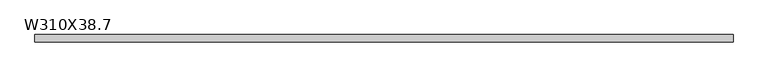
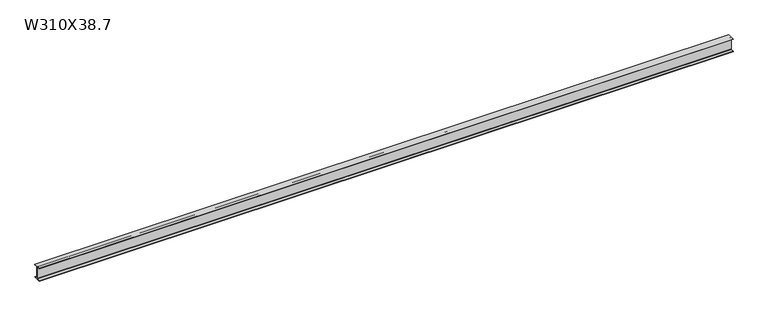
"""IFC4 building model written with IfcOpenShell, lengths in millimetres: beam geometry, W310X38.7."""

import ifcopenshell
import ifcopenshell.guid

model = None  # the IFC model being written
_history = None  # IfcOwnerHistory: only IFC2X3 demands one
_inside = {}  # id of a spatial element -> (the spatial element, [elements in it])
_under = {}  # id of a project, library or spatial element -> (it, [spatial elements below it])
_declared = {}  # id of a project -> (the project, [libraries it declares])
_typed = {}  # id of a type object -> (the type object, [elements of that type])
_made_of = {}  # id of a material, layer set ... -> (it, [elements and type objects made of it])


def new_model(schema):
    """Start an empty IFC model of exactly this schema.

    Asked for "IFC4X3", IfcOpenShell would pick the latest addendum, in which some entities
    have other attributes; the version numbers below select the first issue.
    IFC2X3 requires an IfcOwnerHistory on every rooted entity: one is made here for all.
    """
    global model, _history
    if schema == "IFC4X3":
        model = ifcopenshell.file(schema_version=(4, 3, 0, 0))
    else:
        model = ifcopenshell.file(schema=schema)
    _inside.clear()
    _under.clear()
    _declared.clear()
    _typed.clear()
    _made_of.clear()
    _history = None
    if model.schema == "IFC2X3":
        org = make("IfcOrganization", Name="unknown")
        user = make(
            "IfcPersonAndOrganization",
            ThePerson=make("IfcPerson", FamilyName="unknown"),
            TheOrganization=org,
        )
        app = make(
            "IfcApplication",
            ApplicationDeveloper=org,
            Version="unknown",
            ApplicationFullName="unknown",
            ApplicationIdentifier="unknown",
        )
        _history = make(
            "IfcOwnerHistory",
            OwningUser=user,
            OwningApplication=app,
            ChangeAction="ADDED",
            CreationDate=0,
        )
    return model


def make(cls, **values):
    """One entity of the class cls with the attributes given. An attribute that is None is left unset."""
    return model.create_entity(
        cls, **{name: value for name, value in values.items() if value is not None}
    )


def rooted(cls, **values):
    """An entity with a GlobalId (a new one), such as an element, a storey or a relation."""
    return make(cls, GlobalId=ifcopenshell.guid.new(), OwnerHistory=_history, **values)


def si_unit(unit_type, name, prefix=None):
    """IfcSIUnit, for example si_unit("LENGTHUNIT", "METRE", prefix="MILLI")."""
    return make("IfcSIUnit", UnitType=unit_type, Prefix=prefix, Name=name)


def assignment(units):
    """IfcUnitAssignment: the units of a project."""
    return None if units is None else make("IfcUnitAssignment", Units=units)


def point(xyz):
    """IfcCartesianPoint."""
    return None if xyz is None else make("IfcCartesianPoint", Coordinates=xyz)


def direction(xyz):
    """IfcDirection."""
    return None if xyz is None else make("IfcDirection", DirectionRatios=xyz)


def frame(location, z_axis=None, x_axis=None):
    """IfcAxis2Placement3D, a coordinate frame: its origin and axes. An axis left out is left unset."""
    return make(
        "IfcAxis2Placement3D",
        Location=point(location),
        Axis=direction(z_axis),
        RefDirection=direction(x_axis),
    )


def frame_2d(location, x_axis=None):
    """IfcAxis2Placement2D, a coordinate frame in the plane: its origin and x axis."""
    return make(
        "IfcAxis2Placement2D", Location=point(location), RefDirection=direction(x_axis)
    )


def origin():
    """The frame at (0, 0, 0) with its axes left unset."""
    return frame((0.0, 0.0, 0.0))


def place(relative_to, where):
    """IfcLocalPlacement: puts the frame where relative to a parent placement (None: the world)."""
    return make(
        "IfcLocalPlacement", PlacementRelTo=relative_to, RelativePlacement=where
    )


def context(
    kind, dimensions, precision=None, world=None, true_north=None, identifier=None
):
    """IfcGeometricRepresentationContext, for example the 3D "Model" context."""
    return make(
        "IfcGeometricRepresentationContext",
        ContextIdentifier=identifier,
        ContextType=kind,
        CoordinateSpaceDimension=dimensions,
        Precision=precision,
        WorldCoordinateSystem=world,
        TrueNorth=true_north,
    )


def project(units=None, contexts=None):
    """IfcProject with its units and contexts."""
    return rooted(
        "IfcProject",
        Name="project",
        RepresentationContexts=contexts,
        UnitsInContext=assignment(units),
    )


def spatial(cls, under=None, at=None, **own):
    """A site, building, storey or space (cls), placed at a placement, below another one or the project."""
    s = rooted(cls, ObjectPlacement=at, **own)
    if under is not None:
        _under.setdefault(under.id(), (under, []))[1].append(s)
    return s


def polyline(points):
    """IfcPolyline through the points."""
    return make("IfcPolyline", Points=[point(p) for p in points])


def circle_curve(where, radius):
    """IfcCircle in the frame where."""
    return make("IfcCircle", Position=where, Radius=radius)


def trimmed(basis, trim1, trim2, sense, master):
    """IfcTrimmedCurve: the piece of a basis curve between two trims."""
    return make(
        "IfcTrimmedCurve",
        BasisCurve=basis,
        Trim1=trim1,
        Trim2=trim2,
        SenseAgreement=sense,
        MasterRepresentation=master,
    )


def segment(curve, same_sense, transition):
    """IfcCompositeCurveSegment."""
    return make(
        "IfcCompositeCurveSegment",
        Transition=transition,
        SameSense=same_sense,
        ParentCurve=curve,
    )


def composite_curve(segments, self_intersect=None):
    """IfcCompositeCurve: segments joined end to end."""
    return make("IfcCompositeCurve", Segments=segments, SelfIntersect=self_intersect)


def outline(outer, holes=None, kind="AREA"):
    """IfcArbitraryClosedProfileDef: a profile drawn as a closed curve; with holes, ...WithVoids."""
    if holes is None:
        return make("IfcArbitraryClosedProfileDef", ProfileType=kind, OuterCurve=outer)
    return make(
        "IfcArbitraryProfileDefWithVoids",
        ProfileType=kind,
        OuterCurve=outer,
        InnerCurves=holes,
    )


def extrude(swept, where, along, depth):
    """IfcExtrudedAreaSolid: the profile swept, set in the frame where, extruded along a direction by depth."""
    return make(
        "IfcExtrudedAreaSolid",
        SweptArea=swept,
        Position=where,
        ExtrudedDirection=direction(along),
        Depth=depth,
    )


def shape(context_of_items, identifier, shape_type, items):
    """IfcShapeRepresentation: the items that make up one representation, for example the "Body"."""
    return make(
        "IfcShapeRepresentation",
        ContextOfItems=context_of_items,
        RepresentationIdentifier=identifier,
        RepresentationType=shape_type,
        Items=items,
    )


def source(mapping_origin, context_of_items, identifier, shape_type, items):
    """IfcRepresentationMap: a shape defined once, which mapped items show again and again."""
    return make(
        "IfcRepresentationMap",
        MappingOrigin=mapping_origin,
        MappedRepresentation=shape(context_of_items, identifier, shape_type, items),
    )


def transform(
    local_origin,
    x_axis=None,
    y_axis=None,
    z_axis=None,
    scale=None,
    scale2=None,
    scale3=None,
    uniform=True,
):
    """IfcCartesianTransformationOperator3D, or its non-uniform kind. x_axis, y_axis, z_axis: its Axis1, 2, 3."""
    if uniform:
        return make(
            "IfcCartesianTransformationOperator3D",
            Axis1=direction(x_axis),
            Axis2=direction(y_axis),
            LocalOrigin=point(local_origin),
            Scale=scale,
            Axis3=direction(z_axis),
        )
    return make(
        "IfcCartesianTransformationOperator3DnonUniform",
        Axis1=direction(x_axis),
        Axis2=direction(y_axis),
        LocalOrigin=point(local_origin),
        Scale=scale,
        Axis3=direction(z_axis),
        Scale2=scale2,
        Scale3=scale3,
    )


def mapped(mapping_source, mapping_target):
    """IfcMappedItem: shows the shape of a source again, moved by a transform."""
    return make(
        "IfcMappedItem", MappingSource=mapping_source, MappingTarget=mapping_target
    )


def made_of(thing, what):
    """Note that an element or type object is made of a material, layer set ...; save() writes the relation."""
    if what is not None:
        _made_of.setdefault(what.id(), (what, []))[1].append(thing)
    return thing


def element(
    cls,
    number,
    at=None,
    inside=None,
    cuts=None,
    type_object=None,
    material=None,
    context=None,
    identifier="Body",
    shape_type=None,
    held_by="IfcProductDefinitionShape",
    body=None,
    shapes=None,
    **own,
):
    """One element of the class cls, such as IfcWall. Its Tag is "e" and its number.

    at: its placement. inside: the storey or other place that contains it. cuts: it is an
    opening in that element (IfcRelVoidsElement). A single representation is given by context,
    identifier, shape_type and body (its items); several are given by shapes. held_by: the class
    of the entity that holds the representations. save() writes the other relations.
    """
    e = rooted(cls, Tag="e%d" % number, ObjectPlacement=at, **own)
    if body is not None:
        shapes = [shape(context, identifier, shape_type, body)]
    if shapes is not None:
        e.Representation = make(held_by, Representations=shapes)
    if inside is not None:
        _inside.setdefault(inside.id(), (inside, []))[1].append(e)
    if cuts is not None:
        rooted(
            "IfcRelVoidsElement", RelatingBuildingElement=cuts, RelatedOpeningElement=e
        )
    if type_object is not None:
        _typed.setdefault(type_object.id(), (type_object, []))[1].append(e)
    return made_of(e, material)


def aggregate(whole, parts):
    """IfcRelAggregates: a whole, such as a stair, and the parts it consists of."""
    return rooted("IfcRelAggregates", RelatingObject=whole, RelatedObjects=parts)


def save(model, path):
    """Write the relations noted so far, then the file.

    IfcRelAggregates (storeys below a building ...), IfcRelContainedInSpatialStructure (elements
    in a storey), IfcRelDefinesByType, IfcRelAssociatesMaterial and IfcRelDeclares: one each for
    every whole, place, type object, material and project.
    """
    for whole, parts in _under.values():
        aggregate(whole, parts)
    for where, things in _inside.values():
        rooted(
            "IfcRelContainedInSpatialStructure",
            RelatedElements=things,
            RelatingStructure=where,
        )
    for kind, things in _typed.values():
        rooted("IfcRelDefinesByType", RelatedObjects=things, RelatingType=kind)
    for what, things in _made_of.values():
        rooted("IfcRelAssociatesMaterial", RelatedObjects=things, RelatingMaterial=what)
    for by, libraries in _declared.values():
        rooted("IfcRelDeclares", RelatingContext=by, RelatedDefinitions=libraries)
    model.write(path)


def w310x38_7_66a5e302(model_context):
    return source(origin(), model_context, "Body", "SweptSolid", [
        extrude(outline(composite_curve([segment(polyline([(82.5, -145.35), (82.5, -155.0), (-82.5, -155.0), (-82.5, -145.35), (-10.57, -145.35)]), True, "CONTINUOUS"), segment(trimmed(circle_curve(frame_2d((-10.57, -137.7)), 7.65), [point((-10.57, -145.35))], [point((-2.92, -137.7))], True, "CARTESIAN"), True, "CONTINUOUS"), segment(polyline([(-2.92, -137.7), (-2.92, 137.7)]), True, "CONTINUOUS"), segment(trimmed(circle_curve(frame_2d((-10.57, 137.7)), 7.65), [point((-2.92, 137.7))], [point((-10.57, 145.35))], True, "CARTESIAN"), True, "CONTINUOUS"), segment(polyline([(-10.57, 145.35), (-82.5, 145.35), (-82.5, 155.0), (82.5, 155.0), (82.5, 145.35), (10.57, 145.35)]), True, "CONTINUOUS"), segment(trimmed(circle_curve(frame_2d((10.57, 137.7)), 7.65), [point((10.57, 145.35))], [point((2.92, 137.7))], True, "CARTESIAN"), True, "CONTINUOUS"), segment(polyline([(2.92, 137.7), (2.92, -137.7)]), True, "CONTINUOUS"), segment(trimmed(circle_curve(frame_2d((10.57, -137.7)), 7.65), [point((2.92, -137.7))], [point((10.57, -145.35))], True, "CARTESIAN"), True, "CONTINUOUS"), segment(polyline([(10.57, -145.35), (82.5, -145.35)]), True, "CONTINUOUS")], self_intersect=False)), frame((-7992.6, 0.0, 0.0), z_axis=(1.0, 0.0, 0.0), x_axis=(0.0, 1.0, 0.0)), (0.0, 0.0, 1.0), 15985.2),
    ])


if __name__ == "__main__":
    model = new_model("IFC4")
    model_context = context("Model", 3, world=origin())
    ifc_project = project(units=[si_unit("LENGTHUNIT", "METRE", prefix="MILLI")], contexts=[model_context])
    site = spatial("IfcSite", under=ifc_project)
    building = spatial("IfcBuilding", under=site)
    placement = place(None, origin())
    w310x38_7_shape = w310x38_7_66a5e302(model_context)
    element("IfcBeam", 1, ObjectType="W310X38.7", at=placement, inside=building, context=model_context, shape_type="MappedRepresentation", body=[
        mapped(w310x38_7_shape, transform((0.0, 0.0, 0.0), x_axis=(1.0, 0.0, 0.0), y_axis=(0.0, 1.0, 0.0), z_axis=(0.0, 0.0, 1.0))),
    ])
    save(model, "model.ifc")
